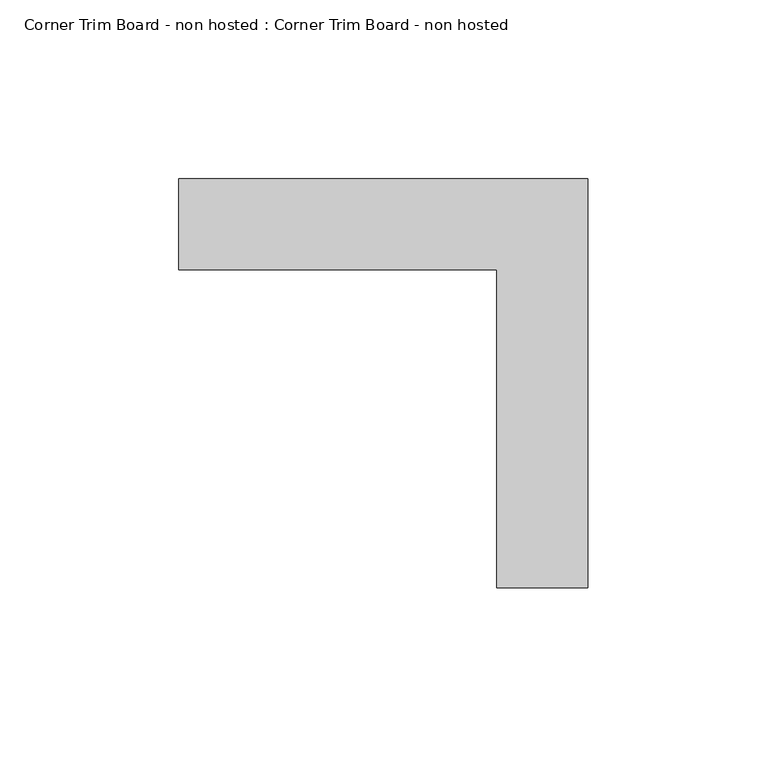
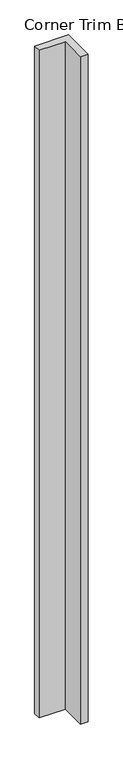
"""IFC4 building model written with IfcOpenShell, lengths in millimetres: proxy geometry, Corner Trim Board - non hosted : Corner Trim Board - non hosted."""

import ifcopenshell
import ifcopenshell.guid

model = None  # the IFC model being written
_history = None  # IfcOwnerHistory: only IFC2X3 demands one
_inside = {}  # id of a spatial element -> (the spatial element, [elements in it])
_under = {}  # id of a project, library or spatial element -> (it, [spatial elements below it])
_declared = {}  # id of a project -> (the project, [libraries it declares])
_typed = {}  # id of a type object -> (the type object, [elements of that type])
_made_of = {}  # id of a material, layer set ... -> (it, [elements and type objects made of it])


def new_model(schema):
    """Start an empty IFC model of exactly this schema.

    Asked for "IFC4X3", IfcOpenShell would pick the latest addendum, in which some entities
    have other attributes; the version numbers below select the first issue.
    IFC2X3 requires an IfcOwnerHistory on every rooted entity: one is made here for all.
    """
    global model, _history
    if schema == "IFC4X3":
        model = ifcopenshell.file(schema_version=(4, 3, 0, 0))
    else:
        model = ifcopenshell.file(schema=schema)
    _inside.clear()
    _under.clear()
    _declared.clear()
    _typed.clear()
    _made_of.clear()
    _history = None
    if model.schema == "IFC2X3":
        org = make("IfcOrganization", Name="unknown")
        user = make(
            "IfcPersonAndOrganization",
            ThePerson=make("IfcPerson", FamilyName="unknown"),
            TheOrganization=org,
        )
        app = make(
            "IfcApplication",
            ApplicationDeveloper=org,
            Version="unknown",
            ApplicationFullName="unknown",
            ApplicationIdentifier="unknown",
        )
        _history = make(
            "IfcOwnerHistory",
            OwningUser=user,
            OwningApplication=app,
            ChangeAction="ADDED",
            CreationDate=0,
        )
    return model


def make(cls, **values):
    """One entity of the class cls with the attributes given. An attribute that is None is left unset."""
    return model.create_entity(
        cls, **{name: value for name, value in values.items() if value is not None}
    )


def rooted(cls, **values):
    """An entity with a GlobalId (a new one), such as an element, a storey or a relation."""
    return make(cls, GlobalId=ifcopenshell.guid.new(), OwnerHistory=_history, **values)


def si_unit(unit_type, name, prefix=None):
    """IfcSIUnit, for example si_unit("LENGTHUNIT", "METRE", prefix="MILLI")."""
    return make("IfcSIUnit", UnitType=unit_type, Prefix=prefix, Name=name)


def assignment(units):
    """IfcUnitAssignment: the units of a project."""
    return None if units is None else make("IfcUnitAssignment", Units=units)


def point(xyz):
    """IfcCartesianPoint."""
    return None if xyz is None else make("IfcCartesianPoint", Coordinates=xyz)


def direction(xyz):
    """IfcDirection."""
    return None if xyz is None else make("IfcDirection", DirectionRatios=xyz)


def frame(location, z_axis=None, x_axis=None):
    """IfcAxis2Placement3D, a coordinate frame: its origin and axes. An axis left out is left unset."""
    return make(
        "IfcAxis2Placement3D",
        Location=point(location),
        Axis=direction(z_axis),
        RefDirection=direction(x_axis),
    )


def origin():
    """The frame at (0, 0, 0) with its axes left unset."""
    return frame((0.0, 0.0, 0.0))


def origin_with_axes():
    """The frame at (0, 0, 0) with the z axis (0, 0, 1) and the x axis (1, 0, 0) written out."""
    return frame((0.0, 0.0, 0.0), z_axis=(0.0, 0.0, 1.0), x_axis=(1.0, 0.0, 0.0))


def place(relative_to, where):
    """IfcLocalPlacement: puts the frame where relative to a parent placement (None: the world)."""
    return make(
        "IfcLocalPlacement", PlacementRelTo=relative_to, RelativePlacement=where
    )


def context(
    kind, dimensions, precision=None, world=None, true_north=None, identifier=None
):
    """IfcGeometricRepresentationContext, for example the 3D "Model" context."""
    return make(
        "IfcGeometricRepresentationContext",
        ContextIdentifier=identifier,
        ContextType=kind,
        CoordinateSpaceDimension=dimensions,
        Precision=precision,
        WorldCoordinateSystem=world,
        TrueNorth=true_north,
    )


def project(units=None, contexts=None):
    """IfcProject with its units and contexts."""
    return rooted(
        "IfcProject",
        Name="project",
        RepresentationContexts=contexts,
        UnitsInContext=assignment(units),
    )


def spatial(cls, under=None, at=None, **own):
    """A site, building, storey or space (cls), placed at a placement, below another one or the project."""
    s = rooted(cls, ObjectPlacement=at, **own)
    if under is not None:
        _under.setdefault(under.id(), (under, []))[1].append(s)
    return s


def polyline(points):
    """IfcPolyline through the points."""
    return make("IfcPolyline", Points=[point(p) for p in points])


def outline(outer, holes=None, kind="AREA"):
    """IfcArbitraryClosedProfileDef: a profile drawn as a closed curve; with holes, ...WithVoids."""
    if holes is None:
        return make("IfcArbitraryClosedProfileDef", ProfileType=kind, OuterCurve=outer)
    return make(
        "IfcArbitraryProfileDefWithVoids",
        ProfileType=kind,
        OuterCurve=outer,
        InnerCurves=holes,
    )


def extrude(swept, where, along, depth):
    """IfcExtrudedAreaSolid: the profile swept, set in the frame where, extruded along a direction by depth."""
    return make(
        "IfcExtrudedAreaSolid",
        SweptArea=swept,
        Position=where,
        ExtrudedDirection=direction(along),
        Depth=depth,
    )


def shape(context_of_items, identifier, shape_type, items):
    """IfcShapeRepresentation: the items that make up one representation, for example the "Body"."""
    return make(
        "IfcShapeRepresentation",
        ContextOfItems=context_of_items,
        RepresentationIdentifier=identifier,
        RepresentationType=shape_type,
        Items=items,
    )


def source(mapping_origin, context_of_items, identifier, shape_type, items):
    """IfcRepresentationMap: a shape defined once, which mapped items show again and again."""
    return make(
        "IfcRepresentationMap",
        MappingOrigin=mapping_origin,
        MappedRepresentation=shape(context_of_items, identifier, shape_type, items),
    )


def transform(
    local_origin,
    x_axis=None,
    y_axis=None,
    z_axis=None,
    scale=None,
    scale2=None,
    scale3=None,
    uniform=True,
):
    """IfcCartesianTransformationOperator3D, or its non-uniform kind. x_axis, y_axis, z_axis: its Axis1, 2, 3."""
    if uniform:
        return make(
            "IfcCartesianTransformationOperator3D",
            Axis1=direction(x_axis),
            Axis2=direction(y_axis),
            LocalOrigin=point(local_origin),
            Scale=scale,
            Axis3=direction(z_axis),
        )
    return make(
        "IfcCartesianTransformationOperator3DnonUniform",
        Axis1=direction(x_axis),
        Axis2=direction(y_axis),
        LocalOrigin=point(local_origin),
        Scale=scale,
        Axis3=direction(z_axis),
        Scale2=scale2,
        Scale3=scale3,
    )


def mapped(mapping_source, mapping_target):
    """IfcMappedItem: shows the shape of a source again, moved by a transform."""
    return make(
        "IfcMappedItem", MappingSource=mapping_source, MappingTarget=mapping_target
    )


def made_of(thing, what):
    """Note that an element or type object is made of a material, layer set ...; save() writes the relation."""
    if what is not None:
        _made_of.setdefault(what.id(), (what, []))[1].append(thing)
    return thing


def element(
    cls,
    number,
    at=None,
    inside=None,
    cuts=None,
    type_object=None,
    material=None,
    context=None,
    identifier="Body",
    shape_type=None,
    held_by="IfcProductDefinitionShape",
    body=None,
    shapes=None,
    **own,
):
    """One element of the class cls, such as IfcWall. Its Tag is "e" and its number.

    at: its placement. inside: the storey or other place that contains it. cuts: it is an
    opening in that element (IfcRelVoidsElement). A single representation is given by context,
    identifier, shape_type and body (its items); several are given by shapes. held_by: the class
    of the entity that holds the representations. save() writes the other relations.
    """
    e = rooted(cls, Tag="e%d" % number, ObjectPlacement=at, **own)
    if body is not None:
        shapes = [shape(context, identifier, shape_type, body)]
    if shapes is not None:
        e.Representation = make(held_by, Representations=shapes)
    if inside is not None:
        _inside.setdefault(inside.id(), (inside, []))[1].append(e)
    if cuts is not None:
        rooted(
            "IfcRelVoidsElement", RelatingBuildingElement=cuts, RelatedOpeningElement=e
        )
    if type_object is not None:
        _typed.setdefault(type_object.id(), (type_object, []))[1].append(e)
    return made_of(e, material)


def aggregate(whole, parts):
    """IfcRelAggregates: a whole, such as a stair, and the parts it consists of."""
    return rooted("IfcRelAggregates", RelatingObject=whole, RelatedObjects=parts)


def save(model, path):
    """Write the relations noted so far, then the file.

    IfcRelAggregates (storeys below a building ...), IfcRelContainedInSpatialStructure (elements
    in a storey), IfcRelDefinesByType, IfcRelAssociatesMaterial and IfcRelDeclares: one each for
    every whole, place, type object, material and project.
    """
    for whole, parts in _under.values():
        aggregate(whole, parts)
    for where, things in _inside.values():
        rooted(
            "IfcRelContainedInSpatialStructure",
            RelatedElements=things,
            RelatingStructure=where,
        )
    for kind, things in _typed.values():
        rooted("IfcRelDefinesByType", RelatedObjects=things, RelatingType=kind)
    for what, things in _made_of.values():
        rooted("IfcRelAssociatesMaterial", RelatedObjects=things, RelatingMaterial=what)
    for by, libraries in _declared.values():
        rooted("IfcRelDeclares", RelatingContext=by, RelatedDefinitions=libraries)
    model.write(path)


def corner_trim_board_non_hosted_corner_trim_board_non_hosted_774b5afc(model_context):
    return source(origin(), model_context, "Body", "SweptSolid", [
        extrude(outline(polyline([(-84.6056616, 25.4), (29.6943384, 25.4), (29.6943384, -88.9), (4.2943384, -88.9), (4.2943384, 0.0), (-84.6056616, 0.0), (-84.6056616, 25.4)])), origin_with_axes(), (0.0, 0.0, 1.0), 2384.502917),
    ])


if __name__ == "__main__":
    model = new_model("IFC4")
    model_context = context("Model", 3, world=origin())
    ifc_project = project(units=[si_unit("LENGTHUNIT", "METRE", prefix="MILLI")], contexts=[model_context])
    site = spatial("IfcSite", under=ifc_project)
    building = spatial("IfcBuilding", under=site)
    placement = place(None, origin())
    corner_trim_board_non_hosted_corner_trim_board_non_hosted_shape = corner_trim_board_non_hosted_corner_trim_board_non_hosted_774b5afc(model_context)
    element("IfcBuildingElementProxy", 1, Name="Corner Trim Board - non hosted : Corner Trim Board - non hosted", ObjectType="Corner Trim Board - non hosted : Corner Trim Board - non hosted", at=placement, inside=building, context=model_context, shape_type="MappedRepresentation", body=[
        mapped(corner_trim_board_non_hosted_corner_trim_board_non_hosted_shape, transform((0.0, 0.0, 0.0), x_axis=(1.0, 0.0, 0.0), y_axis=(0.0, 1.0, 0.0), z_axis=(0.0, 0.0, 1.0))),
    ])
    save(model, "model.ifc")
